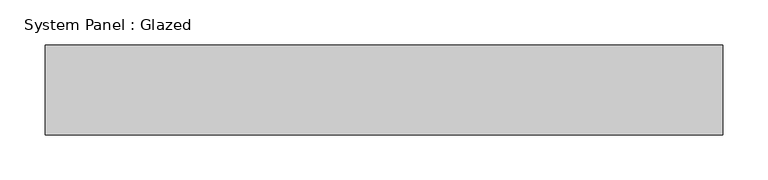
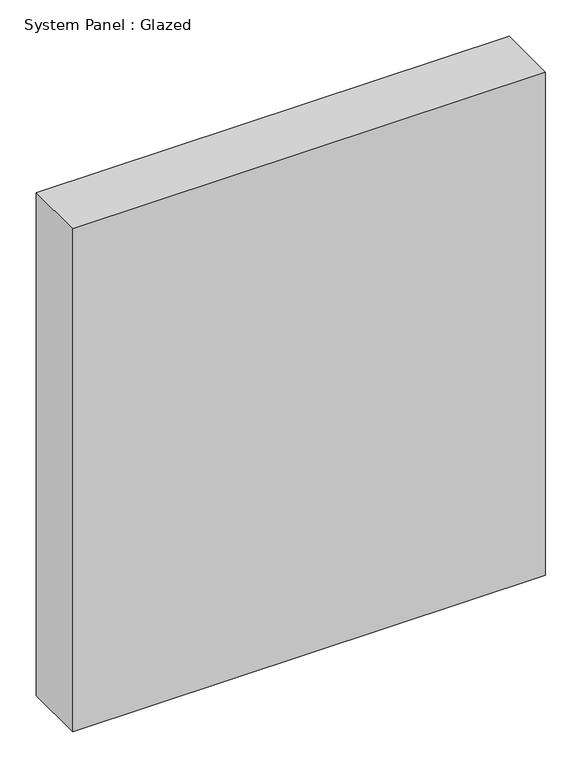
"""IFC4 building model written with IfcOpenShell, lengths in millimetres: plate geometry, System Panel : Glazed."""

from ifc_helpers import new_model, si_unit, origin, origin_with_axes, place, context, project, spatial, polyline, outline, extrude, source, transform, mapped, element, save


def system_panel_glazed_32a4f086(model_context):
    return source(origin(), model_context, "Body", "SweptSolid", [
        extrude(outline(polyline([(375.8333333, 50.0), (-375.8333333, 50.0), (-375.8333333, 150.0), (375.8333333, 150.0), (375.8333333, 50.0)])), origin_with_axes(), (0.0, 0.0, 1.0), 845.0),
    ])


if __name__ == "__main__":
    model = new_model("IFC4")
    model_context = context("Model", 3, world=origin())
    ifc_project = project(units=[si_unit("LENGTHUNIT", "METRE", prefix="MILLI")], contexts=[model_context])
    site = spatial("IfcSite", under=ifc_project)
    building = spatial("IfcBuilding", under=site)
    placement = place(None, origin())
    system_panel_glazed_shape = system_panel_glazed_32a4f086(model_context)
    element("IfcPlate", 1, ObjectType="System Panel : Glazed", at=placement, inside=building, context=model_context, shape_type="MappedRepresentation", body=[
        mapped(system_panel_glazed_shape, transform((0.0, 0.0, 0.0), x_axis=(1.0, 0.0, 0.0), y_axis=(0.0, 1.0, 0.0), z_axis=(0.0, 0.0, 1.0))),
    ])
    save(model, "model.ifc")
